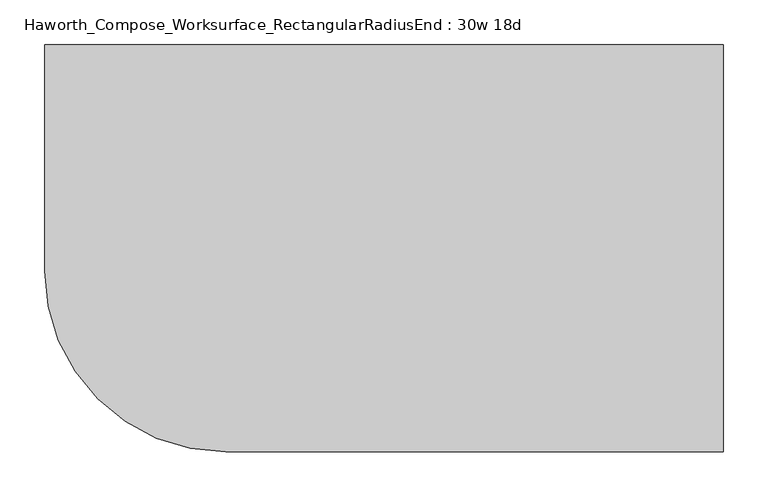
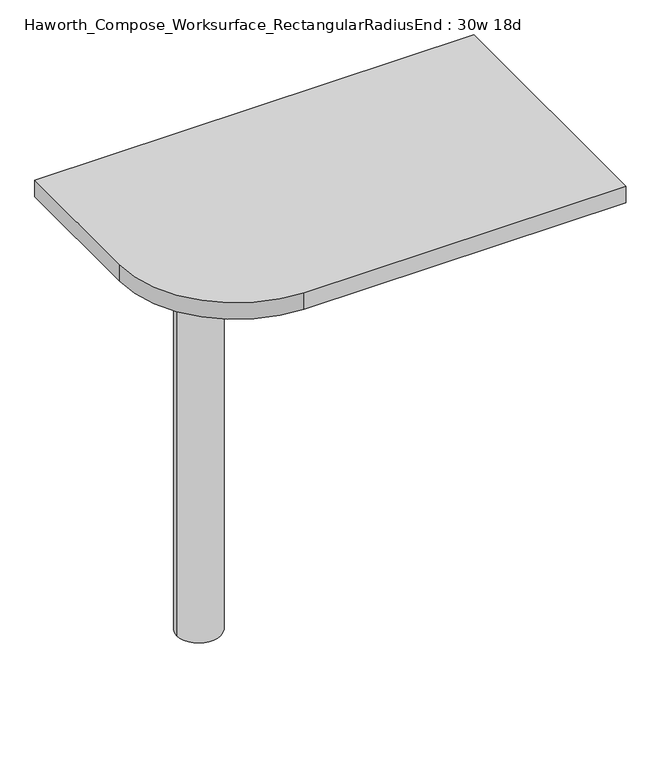
"""IFC4 building model written with IfcOpenShell, lengths in millimetres: furniture geometry, Haworth_Compose_Worksurface_RectangularRadiusEnd : 30w 18d."""

from ifc_helpers import new_model, si_unit, point, frame, frame_2d, origin, place, context, project, spatial, polyline, circle_curve, trimmed, segment, composite_curve, outline, extrude, source, transform, mapped, element, save
from ifc_brep_helpers import plane_surface, cylinder_surface, revolved_surface, advanced_brep


def haworth_compose_worksurface_rectangularradiusend_30w_18d_f2bbd292(model_context):
    return source(origin(), model_context, "Body", "SolidModel", [
        advanced_brep(
        [(375.44375, 228.6, 475.45625), (375.44375, 212.725, 475.45625), (375.44375, -177.8, 691.7192568), (375.44375, -177.8, 704.05625), (375.44375, 212.725, 704.05625), (375.44375, 228.6, 704.05625), (375.44375, 145.290072, 665.95625), (375.44375, 101.6355284, 665.95625), (375.44375, 98.9564235, 656.3705539), (375.44375, 190.6776173, 605.5776439), (375.44375, 200.025, 611.1756969), (375.44375, 200.025, 634.6860246), (375.44375, 198.2730055, 637.5242776), (375.44375, 148.3663437, 665.1613425), (377.825, 228.6, 475.45625), (377.825, 228.6, 704.05625), (377.825, 212.725, 704.05625), (377.825, 212.725, 706.4375), (377.825, -177.8, 706.4375), (377.825, -177.8, 691.7192568), (377.825, 212.725, 475.45625), (377.825, 145.290072, 665.95625), (377.825, 148.3663437, 665.1613425), (377.825, 198.2730055, 637.5242776), (377.825, 200.025, 634.6860246), (377.825, 200.025, 611.1756969), (377.825, 190.6776173, 605.5776439), (377.825, 98.9564235, 656.3705539), (377.825, 101.6355284, 665.95625), (336.55, -177.8, 706.4375), (336.55, -177.8, 704.05625), (336.55, 212.725, 704.05625), (336.55, 212.725, 706.4375)],
        [
            (0, 1),
            (1, 2),
            (2, 3),
            (3, 4),
            (4, 5),
            (5, 0),
            (6, 7),
            (7, 8, circle_curve(frame((375.44375, 101.6355284, 660.7890106), z_axis=(1.0, 0.0, 0.0), x_axis=(0.0, -1.0, 0.0)), 5.1672394)),
            (8, 9),
            (9, 10, circle_curve(frame((375.44375, 193.675, 611.1756969), z_axis=(1.0, 0.0, 0.0), x_axis=(0.0, -1.0, 0.0)), 6.35)),
            (10, 11),
            (11, 12, circle_curve(frame((375.44375, 196.85, 634.6860246), z_axis=(1.0, 0.0, 0.0), x_axis=(0.0, -1.0, 0.0)), 3.175)),
            (12, 13),
            (13, 6, circle_curve(frame((375.44375, 145.290072, 659.60625), z_axis=(1.0, 0.0, 0.0), x_axis=(0.0, -1.0, 0.0)), 6.35)),
            (14, 15),
            (15, 16),
            (16, 17),
            (17, 18),
            (18, 19),
            (19, 20),
            (20, 14),
            (21, 22, circle_curve(frame((377.825, 145.290072, 659.60625), z_axis=(-1.0, 0.0, 0.0), x_axis=(0.0, -1.0, 0.0)), 6.35)),
            (22, 23),
            (23, 24, circle_curve(frame((377.825, 196.85, 634.6860246), z_axis=(-1.0, 0.0, 0.0), x_axis=(0.0, -1.0, 0.0)), 3.175)),
            (24, 25),
            (25, 26, circle_curve(frame((377.825, 193.675, 611.1756969), z_axis=(-1.0, 0.0, 0.0), x_axis=(0.0, -1.0, 0.0)), 6.35)),
            (26, 27),
            (27, 28, circle_curve(frame((377.825, 101.6355284, 660.7890106), z_axis=(-1.0, 0.0, 0.0), x_axis=(0.0, -1.0, 0.0)), 5.1672394)),
            (28, 21),
            (4, 16),
            (15, 5),
            (14, 0),
            (20, 1),
            (19, 2),
            (18, 29),
            (29, 30),
            (30, 3),
            (6, 21),
            (28, 7),
            (9, 26),
            (25, 10),
            (24, 11),
            (23, 12),
            (27, 8),
            (31, 4),
            (30, 31),
            (32, 29),
            (17, 32),
            (31, 32),
            (22, 13),
        ],
        [
            plane_surface(frame((375.44375, 228.6, 475.45625), z_axis=(-1.0, 0.0, 0.0), x_axis=(0.0, 1.0, 0.0))),
            plane_surface(frame((377.825, 228.6, 475.45625), z_axis=(1.0, 0.0, 0.0), x_axis=(0.0, -1.0, 0.0))),
            plane_surface(frame((377.825, -177.8, 704.05625), z_axis=(0.0, 0.0, 1.0), x_axis=(-1.0, 0.0, 0.0))),
            plane_surface(frame((377.825, 228.6, 704.05625), z_axis=(0.0, 1.0, 0.0), x_axis=(-1.0, 0.0, 0.0))),
            plane_surface(frame((377.825, 228.6, 475.45625), z_axis=(0.0, 0.0, -1.0), x_axis=(-1.0, 0.0, 0.0))),
            plane_surface(frame((377.825, 212.725, 475.45625), z_axis=(0.0, -0.48445223513455843, -0.8748177135112952), x_axis=(-1.0, 0.0, 0.0))),
            plane_surface(frame((377.825, -177.8, 691.7192568), z_axis=(0.0, -1.0, 0.0), x_axis=(-1.0, 0.0, 0.0))),
            plane_surface(frame((377.825, 145.290072, 665.95625), z_axis=(0.0, 0.0, -1.0), x_axis=(-1.0, 0.0, 0.0))),
            revolved_surface(polyline([(375.44375, 187.32500000000002, 611.1756969), (377.825, 187.32500000000002, 611.1756969)]), (377.825, 193.675, 611.1756969), (-1.0, 0.0, 0.0)),
            plane_surface(frame((377.825, 200.025, 611.1756969), z_axis=(0.0, -1.0, 0.0), x_axis=(-1.0, 0.0, 0.0))),
            revolved_surface(polyline([(375.44375, 193.67499999999998, 634.6860246), (377.825, 193.67499999999998, 634.6860246)]), (377.825, 196.85, 634.6860246), (-1.0, 0.0, 0.0)),
            revolved_surface(polyline([(375.44375, 96.468289, 660.7890106), (377.825, 96.468289, 660.7890106)]), (377.825, 101.6355284, 660.7890106), (-1.0, 0.0, 0.0)),
            plane_surface(frame((377.825, 212.725, 704.05625), z_axis=(0.0, 0.0, -1.0), x_axis=(-1.0, 0.0, 0.0))),
            plane_surface(frame((377.825, 212.725, 706.4375), z_axis=(0.0, 0.0, 1.0), x_axis=(1.0, 0.0, 0.0))),
            plane_surface(frame((336.55, 212.725, 706.4375), z_axis=(0.0, 1.0, 0.0), x_axis=(0.0, 0.0, -1.0))),
            plane_surface(frame((336.55, -177.8, 706.4375), z_axis=(-1.0, 0.0, 0.0), x_axis=(0.0, 0.0, -1.0))),
            plane_surface(frame((377.825, 98.9564235, 656.3705539), z_axis=(0.0, 0.4844522351345583, 0.8748177135112953), x_axis=(-1.0, 0.0, 0.0))),
            plane_surface(frame((377.825, 198.2730055, 637.5242776), z_axis=(0.0, -0.4844522351345582, -0.8748177135112953), x_axis=(-1.0, 0.0, 0.0))),
            revolved_surface(polyline([(375.44375, 138.94007200000001, 659.60625), (377.825, 138.94007200000001, 659.60625)]), (377.825, 145.290072, 659.60625), (-1.0, 0.0, 0.0)),
        ],
        [
            (0, [[1, 2, 3, 4, 5, 6], [7, 8, 9, 10, 11, 12, 13, 14]]),
            (1, [[15, 16, 17, 18, 19, 20, 21], [22, 23, 24, 25, 26, 27, 28, 29]]),
            (2, [[-5, 30, -16, 31]]),
            (3, [[-31, -15, 32, -6]]),
            (4, [[-32, -21, 33, -1]]),
            (5, [[-33, -20, 34, -2]]),
            (6, [[-34, -19, 35, 36, 37, -3]]),
            (7, [[38, -29, 39, -7]]),
            (8, [[40, -26, 41, -10]]),
            (9, [[-41, -25, 42, -11]]),
            (10, [[-42, -24, 43, -12]]),
            (11, [[-39, -28, 44, -8]]),
            (12, [[45, -4, -37, 46]]),
            (13, [[47, -35, -18, 48]]),
            (14, [[-17, -30, -45, 49, -48]]),
            (15, [[-36, -47, -49, -46]]),
            (16, [[-44, -27, -40, -9]]),
            (17, [[-43, -23, 50, -13]]),
            (18, [[-50, -22, -38, -14]]),
        ],
    ),
        advanced_brep(
        [(-190.5, 0.0, 706.4375), (-266.7, 0.0, 706.4375), (-228.6, 0.0, 706.4375), (-190.5, 0.0, 0.0), (-266.7, 0.0, 0.0), (-228.6, 0.0, 0.0)],
        [
            (0, 1, circle_curve(frame((-228.6, 0.0, 706.4375), z_axis=(0.0, 0.0, 1.0), x_axis=(-1.0, 0.0, 0.0)), 38.1)),
            (1, 2),
            (2, 0),
            (1, 0, circle_curve(frame((-228.6, 0.0, 706.4375), z_axis=(0.0, 0.0, 1.0), x_axis=(-1.0, 0.0, 0.0)), 38.1)),
            (3, 4, circle_curve(frame((-228.6, 0.0, 0.0), z_axis=(0.0, 0.0, 1.0), x_axis=(-1.0, 0.0, 0.0)), 38.1)),
            (4, 1),
            (0, 3),
            (4, 3, circle_curve(frame((-228.6, 0.0, 0.0), z_axis=(0.0, 0.0, 1.0), x_axis=(-1.0, 0.0, 0.0)), 38.1)),
            (5, 4),
            (3, 5),
        ],
        [
            plane_surface(frame((-228.6, 0.0, 706.4375), z_axis=(0.0, 0.0, 1.0), x_axis=(-1.0, 0.0, 0.0))),
            cylinder_surface(frame((-228.6, 0.0, 889.623257), z_axis=(0.0, 0.0, -1.0), x_axis=(-1.0, 0.0, 0.0)), 38.1),
            plane_surface(frame((-228.6, 0.0, 0.0), z_axis=(0.0, 0.0, -1.0), x_axis=(-1.0, 0.0, 0.0))),
        ],
        [
            (0, [[1, 2, 3]]),
            (0, [[4, -3, -2]]),
            (1, [[5, 6, -1, 7]]),
            (1, [[8, -7, -4, -6]]),
            (2, [[9, -5, 10]]),
            (2, [[-10, -8, -9]]),
        ],
    ),
        extrude(outline(composite_curve([segment(polyline([(381.0, 228.6), (381.0, -228.6), (-177.8, -228.6)]), True, "CONTINUOUS"), segment(trimmed(circle_curve(frame_2d((-177.8, -25.4)), 203.2), [point((-177.8, -228.6))], [point((-381.0, -25.4))], False, "CARTESIAN"), True, "CONTINUOUS"), segment(polyline([(-381.0, -25.4), (-381.0, 228.6), (381.0, 228.6)]), True, "CONTINUOUS")], self_intersect=False)), frame((0.0, 0.0, 706.4375), z_axis=(0.0, 0.0, 1.0), x_axis=(1.0, 0.0, 0.0)), (0.0, 0.0, 1.0), 30.1625),
    ])


if __name__ == "__main__":
    model = new_model("IFC4")
    model_context = context("Model", 3, world=origin())
    ifc_project = project(units=[si_unit("LENGTHUNIT", "METRE", prefix="MILLI")], contexts=[model_context])
    site = spatial("IfcSite", under=ifc_project)
    building = spatial("IfcBuilding", under=site)
    placement = place(None, origin())
    haworth_compose_worksurface_rectangularradiusend_30w_18d_shape = haworth_compose_worksurface_rectangularradiusend_30w_18d_f2bbd292(model_context)
    element("IfcFurniture", 1, ObjectType="Haworth_Compose_Worksurface_RectangularRadiusEnd : 30w 18d", at=placement, inside=building, context=model_context, shape_type="MappedRepresentation", body=[
        mapped(haworth_compose_worksurface_rectangularradiusend_30w_18d_shape, transform((0.0, 0.0, 0.0), x_axis=(1.0, 0.0, 0.0), y_axis=(0.0, 1.0, 0.0), z_axis=(0.0, 0.0, 1.0))),
    ])
    save(model, "model.ifc")
